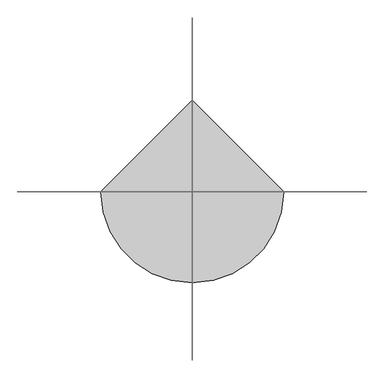
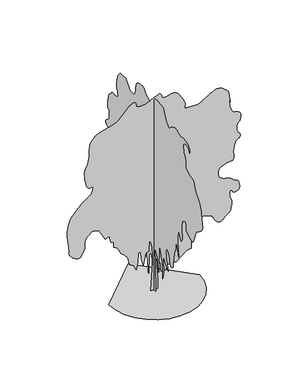
"""IFC4 building model written with IfcOpenShell, lengths in millimetres: geographic element geometry."""

from ifc_helpers import new_model, si_unit, origin, place, context, project, spatial, triangles, source, transform, mapped, element, save


def geographic_element_6778af60(model_context):
    return source(origin(), model_context, "Body", "Tessellation", [
        triangles([(-0.0021492, 84.2526153, 0.0017055), (-0.0021492, -79.7118042, 0.0017055), (-0.0021492, -55.1171299, 770.634066), (-0.0021492, -30.52271, 1205.1391577), (-0.0021492, -128.9011618, 1090.3648407), (-0.0021492, -161.6941456, 983.7870438), (-0.0021492, -161.6941456, 778.8331295), (-0.0021492, -202.6851937, 614.8669024), (-0.0021492, -227.2798771, 1410.0956154), (-0.0021492, -292.8648273, 1254.3285244), (-0.0021492, -391.2435245, 934.5977497), (-0.0021492, -407.6416878, 557.4810519), (-0.0021492, -448.6319547, 754.2384825), (-0.0021492, -424.0372713, 1123.1586239), (-0.0021492, -399.4426243, 1229.7338047), (-0.0021492, -563.4062716, 1024.7798904), (-0.0021492, -645.3893852, 910.00303), (-0.0021492, -571.6053351, 1164.1488544), (-0.0021492, -566.3701532, 1202.7023878), (-0.0021492, -561.3514189, 1240.6803749), (-0.0021492, -556.7629998, 1277.5125744), (-0.0021492, -552.8187638, 1312.6233673), (-0.0021492, -549.7351948, 1345.442585), (-0.0021492, -547.7261604, 1375.3895943), (-0.0021492, -547.0106518, 1401.8965519), (-0.0021492, -548.2048739, 1425.0576382), (-0.0021492, -551.550709, 1445.6369053), (-0.0021492, -556.6891308, 1464.0644142), (-0.0021492, -563.2636931, 1480.7706619), (-0.0021492, -570.9127539, 1496.1884708), (-0.0021492, -579.2773232, 1510.7457218), (-0.0021492, -588.000955, 1524.870005), (-0.0021492, -615.9185097, 1493.2475166), (-0.0021492, -642.6877333, 1461.6276443), (-0.0021492, -667.1627655, 1430.0051559), (-0.0021492, -688.1976734, 1398.3826675), (-0.0021492, -704.6416552, 1366.7627953), (-0.0021492, -715.3488504, 1335.1403069), (-0.0021492, -719.173399, 1303.5178185), (-0.0021492, -720.8463346, 1273.0922047), (-0.0021492, -725.5315138, 1244.8155876), (-0.0021492, -732.7248247, 1218.3340645), (-0.0021492, -741.9270973, 1193.2836313), (-0.0021492, -752.6342926, 1169.31024), (-0.0021492, -764.3472404, 1146.0549007), (-0.0021492, -776.5592857, 1123.1586239), (-0.0021492, -799.2416948, 1123.4208899), (-0.0021492, -820.9921841, 1125.2618385), (-0.0021492, -840.8787609, 1130.2576818), (-0.0021492, -857.9695055, 1139.9845591), (-0.0021492, -871.3298819, 1156.0210802), (-0.0021492, -880.0305862, 1179.9486168), (-0.0021492, -883.1370827, 1213.3382212), (-0.0021492, -884.8100183, 1255.5711811), (-0.0021492, -889.4951975, 1304.2589069), (-0.0021492, -896.6884357, 1358.3243568), (-0.0021492, -905.890781, 1416.6930325), (-0.0021492, -916.5979763, 1478.2854939), (-0.0021492, -928.3109241, 1542.0320389), (-0.0021492, -940.5255129, 1606.8530823), (-0.0021492, -1006.1104631, 1762.6177025), (-0.0021492, -1030.7051102, 2041.3581013), (-0.0021492, -1137.2829071, 1615.0495296), (-0.0021492, -1096.2900604, 2033.1590378), (-0.0021492, -1120.8847801, 2385.6835957), (-0.0021492, -1260.2563602, 2139.7368347), (-0.0021492, -1270.7241806, 2153.8611179), (-0.0021492, -1280.7616493, 2168.4183689), (-0.0021492, -1289.9410309, 2183.833707), (-0.0021492, -1297.8295029, 2200.5424255), (-0.0021492, -1303.9940975, 2218.9699345), (-0.0021492, -1308.0095501, 2239.5492016), (-0.0021492, -1309.4456543, 2262.7102879), (-0.0021492, -1307.6275967, 2290.0778034), (-0.0021492, -1302.9424175, 2322.033847), (-0.0021492, -1296.538448, 2357.1447853), (-0.0021492, -1289.5590775, 2393.9769848), (-0.0021492, -1283.1526371, 2431.0968121), (-0.0021492, -1278.467458, 2467.0683083), (-0.0021492, -1276.6518711, 2500.45784), (-0.0021492, -1277.8461296, 2532.7959824), (-0.0021492, -1281.1944717, 2566.4375336), (-0.0021492, -1286.3329662, 2601.1435547), (-0.0021492, -1292.9049488, 2636.6899315), (-0.0021492, -1300.5540459, 2672.8981865), (-0.0021492, -1308.9185062, 2709.5395546), (-0.0021492, -1317.642247, 2746.4096878), (-0.0021492, -1349.0965771, 2763.5973015), (-0.0021492, -1379.5477707, 2778.4931946), (-0.0021492, -1407.98993, 2788.7800667), (-0.0021492, -1433.4222439, 2792.1923584), (-0.0021492, -1454.8366344, 2786.4374771), (-0.0021492, -1471.2347614, 2769.1992851), (-0.0021492, -1481.6057854, 2738.2107697), (-0.0021492, -1484.4041611, 2701.900486), (-0.0021492, -1481.8935585, 2669.6135033), (-0.0021492, -1478.8100258, 2640.3309883), (-0.0021492, -1479.8871403, 2613.0602692), (-0.0021492, -1489.8532471, 2586.7825127), (-0.0021492, -1513.444685, 2560.5300453), (-0.0021492, -1555.3924152, 2533.2517685), (-0.0021492, -1606.8988644, 2505.0718025), (-0.0021492, -1655.253035, 2478.4681938), (-0.0021492, -1699.3015091, 2456.025087), (-0.0021492, -1737.903368, 2440.3219757), (-0.0021492, -1769.9076645, 2433.9411152), (-0.0021492, -1794.1662128, 2439.4615631), (-0.0021492, -1809.5357689, 2459.4676094), (-0.0021492, -1957.1037964, 2820.1761154), (-0.0021492, -2096.4727604, 2918.5648773), (-0.0021492, -2133.9033245, 2947.2108032), (-0.0021492, -2168.0337994, 2976.9770096), (-0.0021492, -2197.5760368, 3008.067263), (-0.0021492, -2221.2386913, 3040.5580124), (-0.0021492, -2237.731144, 3074.6530243), (-0.0021492, -2245.7620491, 3110.453746), (-0.0021492, -2244.0407879, 3148.1136566), (-0.0021492, -2235.2459759, 3194.9398682), (-0.0021492, -2223.869054, 3254.6760475), (-0.0021492, -2211.3438011, 3322.1530334), (-0.0021492, -2199.1063213, 3392.2013741), (-0.0021492, -2188.5901028, 3459.67836), (-0.0021492, -2181.2287788, 3519.4145393), (-0.0021492, -2178.4558376, 3566.2154617), (-0.0021492, -2170.3281361, 3608.6875786), (-0.0021492, -2147.5744377, 3658.060437), (-0.0021492, -2112.6315125, 3713.1367264), (-0.0021492, -2067.9338047, 3772.8217461), (-0.0021492, -2015.9257874, 3835.9446373), (-0.0021492, -1959.038998, 3901.3845383), (-0.0021492, -1899.7152935, 3967.9447197), (-0.0021492, -1842.3294067, 4197.4932083), (-0.0021492, -1629.1739582, 4246.6875893), (-0.0021492, -1457.0136818, 4328.652935), (-0.0021492, -1458.3505188, 4335.1970123), (-0.0021492, -1461.6963902, 4352.7409996), (-0.0021492, -1466.0480141, 4378.3565872), (-0.0021492, -1470.3970219, 4408.9631493), (-0.0021492, -1473.7428932, 4441.6065056), (-0.0021492, -1475.082201, 4473.2060303), (-0.0021492, -1473.409338, 4500.8334137), (-0.0021492, -1467.7438408, 4526.8565346), (-0.0021492, -1458.2079403, 4555.4515915), (-0.0021492, -1445.4433125, 4586.2107605), (-0.0021492, -1430.0993362, 4618.7015099), (-0.0021492, -1412.8176876, 4652.4654373), (-0.0021492, -1394.2474548, 4687.1205894), (-0.0021492, -1375.0306046, 4722.1829842), (-0.0021492, -1342.2368214, 4918.9352188), (-0.0021492, -1448.8146183, 5009.1250626), (-0.0021492, -1579.9871349, 4984.5277267), (-0.0021492, -1653.7685326, 4877.9400467), (-0.0021492, -1653.7685326, 4976.3288086), (-0.0021492, -1538.9942883, 5082.8914902), (-0.0021492, -1350.4358849, 5107.488826), (-0.0021492, -1202.8678574, 5074.692572), (-0.0021492, -1055.2998299, 5156.6829163), (-0.0021492, -948.7220329, 5164.8818344), (-0.0021492, -940.8819592, 5161.1390396), (-0.0021492, -920.1372952, 5151.1065125), (-0.0021492, -890.6409851, 5136.4911255), (-0.0021492, -856.5588358, 5118.9980072), (-0.0021492, -822.0437914, 5100.3334488), (-0.0021492, -791.2590425, 5082.280481), (-0.0021492, -768.3627657, 5066.4930725), (-0.0021492, -752.5400396, 5050.8591431), (-0.0021492, -739.1541561, 5033.7985565), (-0.0021492, -726.6289759, 5017.8844116), (-0.0021492, -713.3882143, 5005.6874817), (-0.0021492, -697.8532614, 4999.805864), (-0.0021492, -678.4453617, 5002.8359116), (-0.0021492, -653.5859053, 5017.2989822), (-0.0021492, -627.1527803, 5039.5790176), (-0.0021492, -603.7294281, 5064.0234558), (-0.0021492, -582.814135, 5090.2247635), (-0.0021492, -563.9078762, 5117.8777267), (-0.0021492, -546.5090472, 5146.6253906), (-0.0021492, -530.1108839, 5176.0602219), (-0.0021492, -514.2169049, 5205.8775879), (-0.0021492, -415.8382078, 5410.8290314), (-0.0021492, -169.8924643, 5451.8242035), (-0.0021492, -163.845268, 5451.6713058), (-0.0021492, -147.6161895, 5450.6783432), (-0.0021492, -124.0728773, 5447.9540909), (-0.0021492, -96.0842423, 5442.6323227), (-0.0021492, -66.5181736, 5433.8985535), (-0.0021492, -38.2425694, 5420.8359787), (-0.0021492, -14.1260625, 5402.6295319), (-0.0021492, 3.3458589, 5384.2457703), (-0.0021492, 15.2248406, 5370.0373352), (-0.0021492, 23.9488607, 5358.0950409), (-0.0021492, 31.9557643, 5346.6114395), (-0.0021492, 41.6836339, 5333.6761826), (-0.0021492, 55.5706269, 5317.4306625), (-0.0021492, 76.0543103, 5296.0418518), (-0.0021492, 97.13535, 5271.2916183), (-0.0021492, 113.1971331, 5247.5349289), (-0.0021492, 127.2514169, 5226.7827072), (-0.0021492, 142.3091915, 5211.0464584), (-0.0021492, 161.3827366, 5202.3638489), (-0.0021492, 187.483033, 5202.6946426), (-0.0021492, 223.6221062, 5214.076506), (-0.0021492, 264.351397, 5233.7851868), (-0.0021492, 302.4974698, 5257.3889786), (-0.0021492, 338.4919115, 5284.2012955), (-0.0021492, 372.7676173, 5313.5855484), (-0.0021492, 405.7523409, 5344.9307281), (-0.0021492, 437.8763975, 5377.549086), (-0.0021492, 469.5675954, 5410.8290314), (-0.0021492, 492.466452, 5419.4860611), (-0.0021492, 515.7217913, 5427.3286057), (-0.0021492, 539.6951463, 5433.618338), (-0.0021492, 564.7456158, 5437.5396103), (-0.0021492, 591.2271026, 5438.3035172), (-0.0021492, 619.503756, 5435.1205719), (-0.0021492, 649.9294424, 5427.2268677), (-0.0021492, 681.4067362, 5417.9076691), (-0.0021492, 712.0259428, 5409.8610672), (-0.0021492, 740.9213448, 5401.4075134), (-0.0021492, 767.2373257, 5390.7895569), (-0.0021492, 790.1107115, 5376.3009064), (-0.0021492, 808.6833424, 5356.2364334), (-0.0021492, 822.0921896, 5328.8381058), (-0.0021492, 831.6764156, 5297.4679276), (-0.0021492, 839.5393805, 5266.5047012), (-0.0021492, 845.9687845, 5235.9240097), (-0.0021492, 851.2523283, 5205.5973724), (-0.0021492, 855.672698, 5175.5253708), (-0.0021492, 859.522681, 5145.5556885), (-0.0021492, 863.0824202, 5115.6877441), (-0.0021492, 868.5086151, 5085.9976959), (-0.0021492, 874.8667299, 5057.4029297), (-0.0021492, 883.0886845, 5030.9469864), (-0.0021492, 894.1065439, 5007.6989868), (-0.0021492, 908.8546263, 4988.7803741), (-0.0021492, 928.2625259, 4975.2085281), (-0.0021492, 953.2646336, 4968.1298904), (-0.0021492, 983.5706326, 4964.7940475), (-0.0021492, 1017.0340696, 4962.6296448), (-0.0021492, 1051.7859455, 4962.7313828), (-0.0021492, 1085.9648186, 4966.2962814), (-0.0021492, 1117.7069944, 4974.4446213), (-0.0021492, 1145.1458719, 4988.347261), (-0.0021492, 1166.4176113, 5009.1250626), (-0.0021492, 1187.9516893, 5037.6180908), (-0.0021492, 1215.2250246, 5071.5857849), (-0.0021492, 1244.9327316, 5107.4120865), (-0.0021492, 1273.7822788, 5141.5326782), (-0.0021492, 1298.4736496, 5170.3309204), (-0.0021492, 1315.7070454, 5190.2430771), (-0.0021492, 1322.1822315, 5197.6786697), (-0.0021492, 1576.328056, 5181.2802521), (-0.0021492, 1674.7067894, 5058.2941544), (-0.0021492, 1679.9878624, 5049.3057495), (-0.0021492, 1685.3426228, 5039.1203247), (-0.0021492, 1690.840107, 5026.4652832), (-0.0021492, 1696.5540024, 5010.1691849), (-0.0021492, 1702.550584, 4988.9838501), (-0.0021492, 1708.9086262, 4961.7134216), (-0.0021492, 1715.69702, 4927.1347183), (-0.0021492, 1722.2461842, 4888.9655365), (-0.0021492, 1727.9344997, 4851.6622902), (-0.0021492, 1732.907452, 4815.0465019), (-0.0021492, 1737.304858, 4779.0417229), (-0.0021492, 1741.2720577, 4743.4444771), (-0.0021492, 1744.9539551, 4708.1530266), (-0.0021492, 1748.4908031, 4672.9886032), (-0.0021492, 1731.0893944, 4648.3403984), (-0.0021492, 1714.6937382, 4623.4122688), (-0.0021492, 1700.3046455, 4597.9237083), (-0.0021492, 1688.927869, 4571.5442139), (-0.0021492, 1681.5665451, 4544.0441483), (-0.0021492, 1679.2239555, 4515.0927177), (-0.0021492, 1682.9058529, 4484.4352867), (-0.0021492, 1691.9172215, 4457.546521), (-0.0021492, 1704.798848, 4438.9584114), (-0.0021492, 1721.4109154, 4426.9908279), (-0.0021492, 1741.6082291, 4419.8866104), (-0.0021492, 1765.2454491, 4415.940049), (-0.0021492, 1792.1827583, 4413.4445618), (-0.0021492, 1822.2748169, 4410.6435699), (-0.0021492, 1851.5776794, 4410.5162521), (-0.0021492, 1877.0099934, 4414.7177399), (-0.0021492, 1899.7152935, 4419.453788), (-0.0021492, 1920.8445271, 4421.0580505), (-0.0021492, 1941.543409, 4415.7871513), (-0.0021492, 1962.9576542, 4399.8982956), (-0.0021492, 1986.2385006, 4369.6483978), (-0.0021492, 2009.8529022, 4339.016256), (-0.0021492, 2031.6033188, 4320.2755394), (-0.0021492, 2051.6324741, 4307.2641243), (-0.0021492, 2070.0854176, 4293.8451759), (-0.0021492, 2087.1024021, 4273.8057014), (-0.0021492, 2102.8308025, 4241.0094475), (-0.0021492, 2117.4110172, 4189.2939995), (-0.0021492, 2130.4606567, 4132.1297562), (-0.0021492, 2141.5040234, 4085.4561516), (-0.0021492, 2150.5382103, 4046.6759605), (-0.0021492, 2157.565979, 4013.1922485), (-0.0021492, 2162.5848587, 3982.4330795), (-0.0021492, 2165.5945587, 3951.8009377), (-0.0021492, 2166.6003113, 3918.7500481), (-0.0021492, 2163.9699486, 3888.1437767), (-0.0021492, 2156.6086246, 3865.7361328), (-0.0021492, 2145.3030647, 3850.1274925), (-0.0021492, 2130.8426102, 3839.9676476), (-0.0021492, 2114.0167477, 3833.9075523), (-0.0021492, 2095.6120571, 3830.5464203), (-0.0021492, 2076.4181705, 3828.5602043), (-0.0021492, 2076.4181705, 3615.4098427), (-0.0021492, 2076.5861835, 3611.7687859), (-0.0021492, 2077.7574783, 3607.2362137), (-0.0021492, 2080.9351913, 3600.9979317), (-0.0021492, 2087.1278366, 3592.1877136), (-0.0021492, 2097.3334637, 3579.9143349), (-0.0021492, 2112.5576797, 3563.3636009), (-0.0021492, 2133.8065281, 3541.6437057), (-0.0021492, 2158.6890209, 3518.8288193), (-0.0021492, 2183.2835953, 3498.7640556), (-0.0021492, 2206.2996323, 3480.0997879), (-0.0021492, 2226.4484024, 3461.6134163), (-0.0021492, 2242.4391415, 3441.9561859), (-0.0021492, 2252.9807945, 3419.8796265), (-0.0021492, 2256.7799812, 3394.0602722), (-0.0021492, 2250.3276134, 3369.7687317), (-0.0021492, 2232.2566235, 3352.3773514), (-0.0021492, 2204.5070091, 3340.7152725), (-0.0021492, 2169.0142628, 3333.6366348), (-0.0021492, 2127.7106792, 3329.995578), (-0.0021492, 2082.5368378, 3328.6715309), (-0.0021492, 2035.4277946, 3328.4677643), (-0.0021492, 2021.5658501, 3329.995578), (-0.0021492, 2008.8496204, 3330.1737648), (-0.0021492, 1998.4275822, 3327.6274086), (-0.0021492, 1991.4508278, 3320.9815933), (-0.0021492, 1989.05984, 3308.886692), (-0.0021492, 1992.405566, 3289.9677887), (-0.0021492, 2002.6366276, 3262.9005455), (-0.0021492, 2020.3945553, 3234.9676575), (-0.0021492, 2044.3195484, 3213.2224731), (-0.0021492, 2072.5477673, 3195.7802238), (-0.0021492, 2103.212756, 3180.7570129), (-0.0021492, 2134.4508202, 3166.3195221), (-0.0021492, 2164.4003002, 3150.6088531), (-0.0021492, 2191.195031, 3131.7155296), (-0.0021492, 2214.6667088, 3115.4700096), (-0.0021492, 2235.4113728, 3106.0996513), (-0.0021492, 2252.7159851, 3099.4538361), (-0.0021492, 2265.8625664, 3091.381945), (-0.0021492, 2274.1329918, 3077.7083611), (-0.0021492, 2276.8091366, 3054.2824654), (-0.0021492, 2273.1754921, 3016.9539299), (-0.0021492, 2263.7593517, 2975.5765137), (-0.0021492, 2250.0398403, 2941.939904), (-0.0021492, 2232.735228, 2914.7709229), (-0.0021492, 2212.5634941, 2892.7455231), (-0.0021492, 2190.2375313, 2874.6158157), (-0.0021492, 2166.4806965, 2859.0580444), (-0.0021492, 2142.0055916, 2844.7731606), (-0.0021492, 2133.3761765, 2827.1783043), (-0.0021492, 2125.6812973, 2809.2779434), (-0.0021492, 2119.8477871, 2790.7918625), (-0.0021492, 2116.8125072, 2771.4654259), (-0.0021492, 2117.5051975, 2750.9675491), (-0.0021492, 2122.8599579, 2729.044178), (-0.0021492, 2133.8065281, 2705.4145157), (-0.0021492, 2153.6931049, 2682.9815826), (-0.0021492, 2182.4714355, 2663.4005104), (-0.0021492, 2215.980582, 2644.532476), (-0.0021492, 2250.062804, 2624.2386566), (-0.0021492, 2280.5623959, 2600.3543587), (-0.0021492, 2303.3160942, 2570.7407593), (-0.0021492, 2314.1683388, 2533.2517685), (-0.0021492, 2316.6306885, 2491.7827881), (-0.0021492, 2316.7960854, 2450.4562408), (-0.0021492, 2314.3822792, 2407.4085777), (-0.0021492, 2309.1012062, 2360.7782845), (-0.0021492, 2300.6627678, 2308.6964344), (-0.0021492, 2288.7842777, 2249.3015133), (-0.0021492, 2273.1754921, 2180.7272106), (-0.0021492, 2256.9479942, 2122.3126076), (-0.0021492, 2242.7269146, 2087.8459614), (-0.0021492, 2229.5091167, 2067.1470795), (-0.0021492, 2216.2913189, 2050.0334438), (-0.0021492, 2202.0702393, 2026.3248619), (-0.0021492, 2185.8401253, 1985.8335835), (-0.0021492, 2166.6003113, 1918.3847935), (-0.0021492, 2149.5808559, 1842.5203835), (-0.0021492, 2138.8736607, 1783.2936207), (-0.0021492, 2131.7517117, 1740.2713921), (-0.0021492, 2125.4903206, 1713.0234913), (-0.0021492, 2117.362619, 1701.1195667), (-0.0021492, 2104.6463894, 1704.1317375), (-0.0021492, 2084.617234, 1721.6273266), (-0.0021492, 2060.5012642, 1758.0775726), (-0.0021492, 2037.2458523, 1813.4570412), (-0.0021492, 2014.7060944, 1880.5977104), (-0.0021492, 1992.7391212, 1952.324437), (-0.0021492, 1971.2051159, 2021.4716698), (-0.0021492, 1949.9562675, 2080.8664455), (-0.0021492, 1928.8526138, 2123.3387077), (-0.0021492, 1903.2291779, 2154.4824463), (-0.0021492, 1869.4322582, 2184.7680977), (-0.0021492, 1828.8238358, 2214.3331535), (-0.0021492, 1782.7664726, 2243.3252792), (-0.0021492, 1732.6196789, 2271.8870533), (-0.0021492, 1679.7509583, 2300.1636703), (-0.0021492, 1625.51735, 2328.2952381), (-0.0021492, 1580.1042789, 2357.6693172), (-0.0021492, 1536.2697453, 2384.1049129), (-0.0021492, 1495.5901062, 2404.6612164), (-0.0021492, 1459.6414284, 2416.3971279), (-0.0021492, 1430.0025398, 2416.3715481), (-0.0021492, 1408.2521233, 2401.6489002), (-0.0021492, 1395.9662453, 2369.2854687), (-0.0021492, 1387.7442181, 2327.3633183), (-0.0021492, 1377.3731941, 2285.8713741), (-0.0021492, 1365.2069309, 2244.7359489), (-0.0021492, 1351.6071796, 2203.8882969), (-0.0021492, 1336.9303139, 2163.2544399), (-0.0021492, 1321.5379395, 2122.7657776), (-0.0021492, 1305.7865753, 2082.3484772), (-0.0021492, 1125.4248373, 1926.583857), (-0.0021492, 1107.9775738, 1907.1276318), (-0.0021492, 1091.2458916, 1886.8820652), (-0.0021492, 1075.9502409, 1865.0602867), (-0.0021492, 1062.8037323, 1840.8729549), (-0.0021492, 1052.5268887, 1813.5282578), (-0.0021492, 1045.8352186, 1782.2419407), (-0.0021492, 1043.4442308, 1746.2220463), (-0.0021492, 1042.7261787, 1711.1595062), (-0.0021492, 1040.7196878, 1682.5468632), (-0.0021492, 1037.6361551, 1659.3168858), (-0.0021492, 1033.6919191, 1640.3851925), (-0.0021492, 1029.1035364, 1624.6822266), (-0.0021492, 1024.0847294, 1611.1308735), (-0.0021492, 1018.8495838, 1598.6540188), (-0.0021492, 871.2814837, 1500.2752853), (-0.0021492, 854.8859001, 1328.1125381), (-0.0021492, 731.9125196, 1270.7241806), (-0.0021492, 699.1188091, 1057.5711302), (-0.0021492, 567.9463288, 1024.7798904), (-0.0021492, 579.9928319, 1019.3537682), (-0.0021492, 590.5345213, 1012.9956533), (-0.0021492, 598.0638946, 1004.7736261), (-0.0021492, 601.0736309, 993.7558393), (-0.0021492, 598.0638946, 979.0076843), (-0.0021492, 587.5222415, 959.5997847), (-0.0021492, 567.9463288, 934.5977497), (-0.0021492, 544.3090362, 908.8801334), (-0.0021492, 522.3905339, 887.4631994), (-0.0021492, 501.9081359, 869.6340551), (-0.0021492, 482.5715618, 854.6720324), (-0.0021492, 464.0956183, 841.8616224), (-0.0021492, 446.192605, 830.4822298), (-0.0021492, 428.5773285, 819.8234327), (-0.0021492, 416.3169213, 852.4974558), (-0.0021492, 404.2703819, 880.9396151), (-0.0021492, 392.6541942, 900.9203722), (-0.0021492, 381.6821895, 908.2104795), (-0.0021492, 371.5733952, 898.5777826), (-0.0021492, 362.5365921, 867.7931065), (-0.0021492, 354.7933147, 811.6243692), (-0.0021492, 347.289376, 757.5588467), (-0.0021492, 338.9222268, 728.4470335), (-0.0021492, 329.8396053, 713.1030573), (-0.0021492, 320.1840537, 700.3409729), (-0.0021492, 310.0981504, 678.9725098), (-0.0021492, 299.7245467, 637.8141209), (-0.0021492, 289.2083463, 565.677572), (-0.0021492, 280.1002358, 485.3215393), (-0.0021492, 273.5766333, 424.7553234), (-0.0021492, 269.2021002, 380.6814875), (-0.0021492, 266.5488464, 349.8000149), (-0.0021492, 265.1865749, 328.815976), (-0.0021492, 264.6849704, 314.426847), (-0.0021492, 264.613663, 303.3351912), (-0.0021492, 240.0187434, 811.6243692), (-0.0021492, 227.6618124, 844.6574547), (-0.0021492, 214.9461096, 875.6102165), (-0.0021492, 201.5133903, 902.4023312), (-0.0021492, 187.005355, 922.9585619), (-0.0021492, 171.062996, 935.1961143), (-0.0021492, 153.328032, 937.037063), (-0.0021492, 133.4419729, 926.401157), (-0.0021492, 115.707018, 904.291678), (-0.0021492, 103.9950694, 874.0085701), (-0.0021492, 97.3026454, 836.9141773), (-0.0021492, 94.6257194, 794.3680824), (-0.0021492, 94.9603011, 747.7377892), (-0.0021492, 97.3026454, 698.3803368), (-0.0021492, 100.6487348, 647.6606855), (-0.0021492, 84.2526153, 237.7499866), (88.4435659, 0.0002505, 0.0), (-86.3932913, 0.0002505, 0.0), (-44.7656723, 0.0002025, 807.5807934), (-36.4400473, 0.0001919, 1032.3704155), (-69.7422955, 0.0001759, 1307.1158546), (-128.0216733, 0.0001652, 1448.6490761), (-144.6726646, 0.0001865, 1140.6032713), (-227.9278935, 0.0001865, 1115.6266708), (-294.532658, 0.0002025, 799.2544121), (-352.8122947, 0.0001919, 999.0699772), (-361.138676, 0.0001812, 1182.2301636), (-427.7421324, 0.0001812, 1182.2301636), (-444.3923879, 0.0001972, 915.8137218), (-486.0217873, 0.0002079, 732.6509193), (-552.6252437, 0.0002025, 874.1842861), (-660.8581358, 0.0001972, 940.7903223), (-702.4849554, 0.0001812, 1157.2534904), (-785.7412107, 0.0001759, 1257.1625084), (-877.3238474, 0.0001759, 1332.0923824), (-977.2303219, 0.0001599, 1523.5789501), (-1085.4632504, 0.0001599, 1581.8586777), (-1085.4632504, 0.0001492, 1723.3945152), (-1160.3931244, 0.0001492, 1748.3711884), (-1202.019944, 0.0001386, 1939.857756), (-1318.5792538, 0.0001386, 1889.9044098), (-1468.4390018, 0.0001226, 2172.9736141), (-1502.3250149, 0.0001226, 2194.0442757), (-1536.1347244, 0.0001226, 2213.0727654), (-1569.8018555, 0.0001173, 2228.0246143), (-1603.2501045, 0.0001173, 2236.8602669), (-1636.4053482, 0.0001173, 2237.5401672), (-1669.1991314, 0.0001173, 2228.0246143), (-1701.5548599, 0.0001226, 2206.2766685), (-1733.4726791, 0.0001226, 2179.018594), (-1764.2269066, 0.0001226, 2153.3621658), (-1792.651189, 0.0001279, 2127.850787), (-1817.579464, 0.0001279, 2101.0306217), (-1837.8479942, 0.0001279, 2071.4426022), (-1852.2879559, 0.0001332, 2037.6304218), (-1859.7409893, 0.0001332, 1998.1373383), (-1862.0709343, 0.0001386, 1954.9318359), (-1863.0894768, 0.0001386, 1911.4359444), (-1864.5459286, 0.0001439, 1868.3754913), (-1868.1871307, 0.0001439, 1826.4812462), (-1875.759779, 0.0001439, 1786.4790367), (-1889.0133305, 0.0001492, 1749.0993416), (-1909.6943356, 0.0001492, 1715.0681339), (-1930.6655846, 0.0001546, 1683.7079842), (-1945.9586918, 0.0001546, 1654.8226833), (-1959.0644325, 0.0001546, 1629.87159), (-1973.4840466, 0.0001546, 1610.3057785), (-1992.7085999, 0.0001599, 1597.5870781), (-2020.2341, 0.0001599, 1593.1693245), (-2059.5539383, 0.0001599, 1598.5088242), (-2106.0849644, 0.0001546, 1614.4818317), (-2151.4523987, 0.0001546, 1639.6289886), (-2193.4662586, 0.0001546, 1671.9108845), (-2229.9496422, 0.0001492, 1709.2905796), (-2258.7125668, 0.0001492, 1749.7308437), (-2277.5730434, 0.0001439, 1791.1870342), (-2284.3435604, 0.0001439, 1831.6274437), (-2284.0049183, 0.0001439, 1867.2347179), (-2283.6662762, 0.0001386, 1899.34613), (-2284.3435604, 0.0001386, 1933.6447632), (-2287.0630165, 0.0001332, 1975.8062885), (-2292.8405708, 0.0001332, 2031.5116093), (-2302.6947659, 0.0001279, 2106.4440994), (-2317.6466148, 0.0001226, 2206.2766685), (-2328.3767738, 0.0001119, 2318.4664776), (-2327.0169731, 0.0001066, 2424.8304794), (-2316.773267, 0.0001013, 2522.6006744), (-2300.8512737, 9.59e-05, 2609.0116791), (-2282.4516701, 9.06e-05, 2681.301162), (-2264.780365, 9.06e-05, 2736.6829559), (-2251.0431221, 8.53e-05, 2772.4075195), (-2228.7604706, 8.53e-05, 2807.0370918), (-2187.9815643, 7.99e-05, 2856.639006), (-2135.6984184, 7.99e-05, 2914.8473717), (-2078.9007225, 7.46e-05, 2975.2454292), (-2024.5780209, 7.46e-05, 3031.4167099), (-1979.7200031, 6.93e-05, 3076.9444542), (-1951.3211552, 6.93e-05, 3105.4374825), (-1924.2819626, 6.4e-05, 3127.0812195), (-1882.823156, 6.4e-05, 3155.2940323), (-1832.9183533, 6.4e-05, 3188.4469505), (-1780.5385563, 5.86e-05, 3224.9607101), (-1731.6521507, 5.86e-05, 3263.2060501), (-1692.2328999, 5.33e-05, 3301.6042877), (-1668.2519508, 5.33e-05, 3338.5511604), (-1656.1646072, 5.33e-05, 3371.3218346), (-1648.0088551, 4.8e-05, 3398.84748), (-1643.1300831, 4.8e-05, 3421.9931602), (-1640.8716454, 4.8e-05, 3441.6759705), (-1640.5812561, 4.8e-05, 3458.7106865), (-1641.5997986, 4.8e-05, 3473.988533), (-1643.2752777, 4.26e-05, 3488.4260239), (-1673.4947994, 4.26e-05, 3483.4862091), (-1703.0597099, 4.26e-05, 3481.1180397), (-1731.3135086, 4.26e-05, 3483.8172935), (-1757.6014389, 4.26e-05, 3494.1806145), (-1781.2667095, 4.26e-05, 3514.7546494), (-1801.6574707, 4.26e-05, 3548.0601746), (-1818.1141697, 3.73e-05, 3596.6435463), (-1832.6281094, 3.2e-05, 3658.2386238), (-1846.5614159, 3.2e-05, 3726.3519081), (-1858.3075012, 2.66e-05, 3797.4190819), (-1866.2698059, 2.13e-05, 3867.7223488), (-1868.8440674, 1.6e-05, 3933.671521), (-1864.4261684, 1.6e-05, 3991.625251), (-1851.414608, 1.07e-05, 4037.8913223), (-1831.8514126, 1.07e-05, 4080.6180748), (-1810.1034668, 5.3e-06, 4129.8889046), (-1788.0628063, 5.3e-06, 4185.1436714), (-1767.626263, 0.0, 4245.7710754), (-1750.6831112, -5.3e-06, 4311.2106857), (-1739.1280025, -1.07e-05, 4380.8773636), (-1734.8579144, -1.07e-05, 4454.1853889), (-1735.4894165, -1.6e-05, 4523.877356), (-1735.8280586, -2.13e-05, 4584.5303398), (-1733.5466572, -2.13e-05, 4638.3334511), (-1726.3125057, -2.66e-05, 4687.5025429), (-1711.7987114, -3.2e-05, 4734.1761475), (-1687.6699516, -3.2e-05, 4780.5442474), (-1651.601659, -3.73e-05, 4828.8218239), (-1604.6581581, -3.73e-05, 4875.2407928), (-1551.3056007, -4.26e-05, 4914.6575729), (-1494.3144573, -4.26e-05, 4947.2247711), (-1436.4472046, -4.26e-05, 4973.1202835), (-1380.4746037, -4.26e-05, 4992.421431), (-1329.161602, -4.8e-05, 5005.3566879), (-1285.2761993, -4.8e-05, 5012.0022125), (-1238.819006, -4.8e-05, 5019.8197586), (-1181.7285227, -4.8e-05, 5034.7665207), (-1119.6854347, -4.8e-05, 5054.8059952), (-1058.3731888, -4.8e-05, 5077.9260956), (-1003.4673832, -5.33e-05, 5102.03974), (-960.651392, -5.33e-05, 5125.1598404), (-935.6009588, -5.33e-05, 5145.1993149), (-669.1845171, -6.93e-05, 5428.27099), (-646.0030106, -6.93e-05, 5444.1601364), (-622.8954094, -7.46e-05, 5458.928421), (-599.9328938, -7.46e-05, 5471.5328842), (-577.1893693, -7.46e-05, 5480.8520828), (-554.7386684, -7.46e-05, 5485.7918976), (-532.6495734, -7.46e-05, 5485.2826263), (-510.9983877, -7.46e-05, 5478.2295685), (-495.8275477, -7.46e-05, 5462.4933197), (-489.5407585, -6.93e-05, 5439.0418442), (-486.7500132, -6.93e-05, 5411.3888809), (-482.064834, -6.93e-05, 5382.9725922), (-470.0972506, -6.93e-05, 5357.3567139), (-445.4618357, -6.4e-05, 5337.9794083), (-402.7655319, -6.4e-05, 5328.3544144), (-352.1553217, -6.4e-05, 5326.9794983), (-306.7905035, -6.4e-05, 5329.5258545), (-265.7951497, -6.4e-05, 5335.3568939), (-228.2925333, -6.4e-05, 5343.8104477), (-193.4123404, -6.4e-05, 5354.2249283), (-160.2801876, -6.93e-05, 5365.9375854), (-128.0216733, -6.93e-05, 5378.3124115), (-76.4902348, -6.93e-05, 5408.3588333), (-26.1968067, -6.93e-05, 5436.7501236), (21.6206779, -7.46e-05, 5461.7805725), (65.7244948, -7.46e-05, 5481.7688873), (104.8766017, -7.46e-05, 5495.0605179), (137.8389157, -7.46e-05, 5500.0003326), (163.3739486, -7.46e-05, 5494.8820404), (179.7578323, -7.46e-05, 5482.2525787), (188.4231282, -7.46e-05, 5466.2872742), (192.8648993, -7.46e-05, 5447.6994553), (196.5786624, -6.93e-05, 5427.2012878), (203.0594986, -6.93e-05, 5405.5578415), (215.8026888, -6.93e-05, 5383.4562836), (238.3035501, -6.93e-05, 5361.6599396), (275.7078804, -6.4e-05, 5352.0093658), (327.5301169, -6.93e-05, 5359.8263306), (388.8194718, -6.93e-05, 5376.0974304), (454.6234131, -6.93e-05, 5391.7569397), (519.9893723, -6.93e-05, 5397.8426147), (579.9673974, -6.93e-05, 5385.2643127), (629.6048836, -6.4e-05, 5345.0068863), (669.510442, -6.4e-05, 5289.625383), (704.1731518, -5.86e-05, 5237.2989258), (734.4638901, -5.86e-05, 5187.5188248), (761.2611643, -5.33e-05, 5139.7758087), (785.4382496, -5.33e-05, 5093.5606064), (807.8660231, -4.8e-05, 5048.3633652), (829.420376, -4.8e-05, 5003.6759766), (821.0939947, -3.73e-05, 4853.8011131), (1104.163199, -3.73e-05, 4837.1483505), (1130.912075, -3.73e-05, 4839.0834068), (1157.5870457, -3.73e-05, 4841.7826607), (1184.116967, -3.73e-05, 4846.1111755), (1210.4303318, -3.73e-05, 4852.8334396), (1236.4509819, -3.73e-05, 4862.7639381), (1262.10741, -3.73e-05, 4876.6921577), (1287.3259289, -3.73e-05, 4895.433165), (1317.642247, -4.26e-05, 4918.5532654), (1357.5732399, -4.26e-05, 4944.7039948), (1405.5097034, -4.26e-05, 4973.4260788), (1459.8579849, -4.8e-05, 5004.1852478), (1519.010915, -4.8e-05, 5036.4722305), (1581.3671379, -4.8e-05, 5069.7527573), (1645.3250072, -5.33e-05, 5103.5675537), (1684.4540142, -5.33e-05, 5099.8497574), (1722.8521065, -5.33e-05, 5095.2663162), (1759.7963631, -5.33e-05, 5088.9515854), (1794.5558693, -4.8e-05, 5079.9887604), (1826.3998558, -4.8e-05, 5067.5371948), (1854.6051109, -4.8e-05, 5050.7062454), (1878.4410107, -4.8e-05, 5028.6552658), (1900.2143909, -4.8e-05, 5007.1897156), (1922.1329659, -4.26e-05, 4990.5372437), (1943.3232422, -4.26e-05, 4975.3358459), (1962.9118721, -4.26e-05, 4958.2502609), (1980.023037, -4.26e-05, 4935.9190659), (1993.7857143, -3.73e-05, 4905.0069992), (2003.3267017, -3.73e-05, 4862.1273491), (2036.62714, -2.13e-05, 4620.6877258), (2031.3358932, -2.66e-05, 4643.2223969), (2026.4088684, -2.66e-05, 4661.7340576), (2022.2099968, -2.66e-05, 4672.2502762), (2019.1035004, -2.66e-05, 4670.7477516), (2017.450985, -2.66e-05, 4653.2293442), (2017.6216141, -2.13e-05, 4615.6714622), (2019.9769936, -2.13e-05, 4554.0766754), (2029.0544918, -1.6e-05, 4483.8242775), (2046.7257969, -1.07e-05, 4423.1715843), (2069.3470905, -5.3e-06, 4372.5511276), (2093.2796413, -5.3e-06, 4332.4213097), (2114.8825378, -5.3e-06, 4303.2408234), (2130.5141418, -5.3e-06, 4285.3913315), (2136.5336872, 0.0, 4279.3565254), (2147.5539448, 0.0, 4280.1460121), (2175.7593452, 0.0, 4279.6367409), (2213.8671936, 0.0, 4273.4493279), (2254.5977016, 0.0, 4257.2038078), (2290.6659943, 0.0, 4226.5463768), (2314.794754, 5.3e-06, 4177.0973602), (2319.6963444, 1.07e-05, 4104.5023727), (2308.0216209, 1.07e-05, 4035.0650414), (2289.5024025, 1.6e-05, 3991.3959045), (2267.4871765, 1.6e-05, 3963.6159142), (2245.3241398, 1.6e-05, 3941.7939903), (2226.3694828, 2.13e-05, 3916.0255051), (2213.96399, 2.13e-05, 3876.4308289), (2211.466032, 2.66e-05, 3813.104171), (2219.5963497, 2.66e-05, 3747.2826073), (2234.7188278, 3.2e-05, 3702.4167412), (2253.6250866, 3.2e-05, 3671.9886566), (2273.1169201, 3.73e-05, 3649.4284058), (2289.9862392, 3.73e-05, 3628.141333), (2301.0320766, 3.73e-05, 3601.6598099), (2303.0461979, 4.26e-05, 3563.3380211), (2294.2843781, 4.26e-05, 3529.0395332), (2276.7837021, 4.26e-05, 3512.233873), (2253.0190189, 4.26e-05, 3502.8382256), (2225.4707005, 4.26e-05, 3490.8194824), (2196.6083633, 4.8e-05, 3466.1204086), (2168.9148502, 4.8e-05, 3418.7340569), (2144.8600685, 5.33e-05, 3338.5511604), (2129.882785, 5.86e-05, 3243.8796135), (2124.958231, 6.4e-05, 3160.284716), (2125.8545425, 6.93e-05, 3088.6321129), (2128.3549713, 7.46e-05, 3029.812738), (2128.2327404, 7.46e-05, 2984.6666565), (2121.2660145, 7.46e-05, 2954.0856743), (2103.2331036, 7.99e-05, 2938.9351456), (2080.3674934, 7.99e-05, 2933.5625084), (2059.979203, 7.99e-05, 2930.6853584), (2039.4433926, 7.99e-05, 2928.6482735), (2016.1421986, 7.99e-05, 2925.9237305), (1987.4504906, 7.99e-05, 2920.8565979), (1950.7506958, 7.99e-05, 2911.8426132), (1903.4176838, 7.99e-05, 2897.3033844), (1853.5127357, 7.99e-05, 2880.1413506), (1811.035532, 7.99e-05, 2862.9793167), (1776.2784966, 8.53e-05, 2843.7801979), (1749.5296932, 8.53e-05, 2820.5069092), (1731.0818367, 8.53e-05, 2791.0973671), (1721.2276417, 9.06e-05, 2753.5647743), (1720.2574974, 9.06e-05, 2705.8217583), (1723.631274, 9.59e-05, 2658.5115646), (1727.8785439, 9.59e-05, 2621.9722252), (1734.8910519, 9.59e-05, 2593.7338326), (1746.5683914, 0.0001013, 2571.3520592), (1764.7947498, 0.0001013, 2552.2802582), (1791.4723366, 0.0001013, 2534.1046234), (1828.4878098, 0.0001013, 2514.3224007), (1873.0047146, 0.0001013, 2496.0453186), (1919.5611752, 0.0001066, 2482.2824959), (1966.1151649, 0.0001066, 2470.414325), (2010.6320698, 0.0001066, 2457.815094), (2051.0697178, 0.0001066, 2441.8678116), (2085.3913147, 0.0001066, 2419.9517075), (2111.5570141, 0.0001119, 2389.4394711), (2135.660194, 0.0001119, 2361.79174), (2163.6949654, 0.0001119, 2345.6507195), (2193.4790485, 0.0001119, 2334.1695889), (2222.8250771, 0.0001119, 2320.5060333), (2249.5484459, 0.0001173, 2297.8084362), (2271.4670208, 0.0001173, 2259.2397148), (2286.3959061, 0.0001226, 2197.9502872), (2290.3019176, 0.0001279, 2132.9738754), (2281.9781525, 0.0001279, 2085.9081436), (2263.4563179, 0.0001279, 2053.7712971), (2236.7813473, 0.0001332, 2033.5767448), (2203.9875641, 0.0001332, 2022.3373146), (2167.1171402, 0.0001332, 2017.0716476), (2128.2097767, 0.0001332, 2014.7876301), (2106.9227039, 0.0001332, 2046.2216125), (2086.3639297, 0.0001279, 2073.5764835), (2067.2591366, 0.0001279, 2092.7780731), (2050.3415646, 0.0001279, 2099.7421829), (2036.3368961, 0.0001279, 2090.3972591), (2025.9709591, 0.0001279, 2060.6641903), (2019.9769936, 0.0001332, 2006.4637196), (2022.3322277, 0.0001386, 1947.8937481), (2033.7142365, 0.0001386, 1903.8861145), (2049.9035099, 0.0001439, 1868.6174824), (2066.6760326, 0.0001439, 1836.2616085), (2079.809824, 0.0001439, 1800.992831), (2085.075491, 0.0001492, 1756.9878136), (2078.2539597, 0.0001492, 1698.4178421), (2066.069965, 0.0001546, 1638.7046265), (2056.21577, 0.0001599, 1592.8306824), (2045.9236656, 0.0001599, 1557.2944794), (2032.4282684, 0.0001599, 1528.6053875), (2012.9618694, 0.0001652, 1503.2646378), (1984.7566143, 0.0001652, 1477.7762226), (1945.0471195, 0.0001652, 1448.6490761), (1902.3507431, 0.0001705, 1414.6917011), (1865.4803192, 0.0001705, 1379.8609783), (1832.1060482, 0.0001705, 1348.3784523), (1799.895369, 0.0001759, 1324.4688652), (1766.5210979, 0.0001759, 1312.3585579), (1729.6508194, 0.0001759, 1316.2645695), (1686.954443, 0.0001705, 1340.416293), (1647.1227173, 0.0001705, 1378.2109337), (1618.0669327, 0.0001705, 1418.4780979), (1596.2935524, 0.0001652, 1458.6025383), (1578.3090397, 0.0001652, 1495.9567989), (1560.6149162, 0.0001599, 1527.9254871), (1539.7148838, 0.0001599, 1551.8810017), (1512.115551, 0.0001599, 1565.2083858), (1471.7517357, 0.0001599, 1577.5375751), (1418.5696621, 0.0001599, 1596.5685356), (1358.1053295, 0.0001546, 1616.7632332), (1295.8943012, 0.0001546, 1632.58843), (1237.4695244, 0.0001546, 1638.511179), (1188.3667076, 0.0001546, 1628.9956261), (1154.1164726, 0.0001599, 1598.5088242), (1127.3931038, 0.0001599, 1577.4407787), (1098.3373192, 0.0001599, 1588.9958874), (1068.7009741, 0.0001546, 1616.8600296), (1040.2282934, 0.0001546, 1644.7266426), (1014.6711325, 0.0001546, 1656.2792805), (993.7711, 0.0001546, 1635.211235), (979.2801241, 0.0001599, 1565.2083858), (971.8780323, 0.0001652, 1477.5598114), (970.009033, 0.0001705, 1410.4444313), (972.0715525, 0.0001705, 1357.8940052), (976.4639442, 0.0001759, 1313.9347698), (981.5871054, 0.0001759, 1272.5981941), (985.8343025, 0.0001812, 1227.9132763), (987.6065054, 0.0001812, 1173.9063257), (995.9303432, 0.0002025, 832.5574665), (871.0472683, 0.0002025, 807.5807934), (729.5139015, 0.0002132, 691.0215563), (587.9780276, 0.0002185, 591.1150818), (396.4889165, 0.0002185, 599.4414631), (329.8854238, 0.0002185, 557.8146071), (304.9088233, 0.0002238, 457.9055892), (278.3305583, 0.0002238, 452.8104424), (252.8434148, 0.0002238, 449.2405294), (229.5414941, 0.0002238, 448.7312582), (209.5163901, 0.0002238, 452.8104424), (193.8604962, 0.0002238, 463.0032432), (183.6658786, 0.0002238, 480.845141), (180.0249308, 0.0002238, 507.8588264), (179.9037354, 0.0002185, 542.6437672), (179.0540417, 0.0002185, 581.2125249), (176.7483685, 0.0002132, 621.2377344), (172.257963, 0.0002132, 660.3896324), (164.854872, 0.0002132, 696.3382376), (153.8105607, 0.0002079, 726.7512068), (138.3973209, 0.0002079, 749.3012112), (121.7702562, 0.0002079, 768.113217), (107.3279238, 0.0002079, 788.6719912), (94.7059289, 0.0002025, 810.6872898), (83.5404222, 0.0002025, 833.8687963), (73.4672725, 0.0002025, 857.9236507), (64.1223624, 0.0002025, 882.5590656), (55.1413199, 0.0001972, 907.4872679), (63.4669473, 0.0002132, 691.0215563), (88.4435659, 0.0002345, 266.4189852), (-1216.0703945, 0.0, 0.0051165), (-1183.9209034, -278.6437659, 0.0051165), (-1092.3611578, -534.5312536, 0.0051165), (-948.7220329, -760.3342587, 0.0051165), (-760.3342587, -948.7220329, 0.0051165), (-534.5312536, -1092.3611578, 0.0051165), (-278.6437659, -1183.9209034, 0.0051165), (5.32e-05, -1216.0703945, 0.0051165), (278.6437659, -1183.9209034, 0.0051165), (534.5312536, -1092.3611578, 0.0051165), (760.3342587, -948.7220329, 0.0051165), (948.7220329, -760.3342587, 0.0051165), (1092.3611578, -534.5312536, 0.0051165), (1183.9209034, -278.6437659, 0.0051165), (1216.0703945, 0.0001066, 0.0051165), (-0.0001595, 1216.0703945, 0.0051165)], [[476, 477, 478], [475, 476, 478], [474, 475, 478], [473, 474, 478], [62, 63, 64], [472, 473, 478], [471, 472, 478], [470, 471, 478], [11, 12, 13], [11, 13, 14], [7, 8, 9], [6, 7, 9], [16, 17, 18], [469, 470, 478], [5, 6, 9], [10, 11, 14], [10, 14, 15], [468, 469, 478], [151, 152, 153], [151, 153, 154], [15, 16, 18], [467, 468, 478], [150, 151, 154], [150, 154, 155], [4, 5, 9], [15, 18, 19], [65, 66, 67], [65, 67, 68], [65, 68, 69], [65, 69, 70], [65, 70, 71], [65, 71, 72], [65, 72, 73], [65, 73, 74], [65, 74, 75], [65, 75, 76], [65, 76, 77], [466, 467, 478], [465, 466, 478], [464, 465, 478], [463, 464, 478], [15, 19, 20], [455, 456, 457], [65, 77, 78], [149, 150, 155], [149, 155, 156], [15, 20, 21], [62, 64, 65], [1, 2, 3], [493, 1, 3], [492, 493, 3], [491, 492, 3], [490, 491, 3], [489, 490, 3], [489, 3, 4], [488, 489, 4], [487, 488, 4], [486, 487, 4], [485, 486, 4], [484, 485, 4], [462, 463, 478], [462, 478, 479], [65, 78, 79], [15, 21, 22], [462, 479, 480], [461, 462, 480], [461, 480, 481], [391, 392, 393], [454, 455, 457], [440, 441, 442], [15, 22, 23], [65, 79, 80], [391, 393, 394], [390, 391, 394], [390, 394, 395], [389, 390, 395], [389, 395, 396], [388, 389, 396], [388, 396, 397], [387, 388, 397], [387, 397, 398], [386, 387, 398], [386, 398, 399], [385, 386, 399], [385, 399, 400], [384, 385, 400], [131, 132, 133], [45, 46, 47], [438, 439, 440], [383, 384, 400], [383, 400, 401], [382, 383, 401], [381, 382, 401], [380, 381, 401], [379, 380, 401], [379, 401, 402], [378, 379, 402], [378, 402, 403], [377, 378, 403], [376, 377, 403], [376, 403, 404], [375, 376, 404], [374, 375, 404], [373, 374, 404], [372, 373, 404], [371, 372, 404], [370, 371, 404], [369, 370, 404], [368, 369, 404], [367, 368, 404], [367, 404, 405], [366, 367, 405], [366, 405, 406], [366, 406, 407], [365, 366, 407], [365, 407, 408], [365, 408, 409], [364, 365, 409], [364, 409, 410], [363, 364, 410], [363, 410, 411], [15, 23, 24], [10, 15, 24], [9, 10, 24], [9, 24, 25], [9, 25, 26], [9, 26, 27], [9, 27, 28], [9, 28, 29], [179, 180, 181], [454, 457, 458], [453, 454, 458], [452, 453, 458], [461, 481, 482], [452, 458, 459], [451, 452, 459], [250, 251, 252], [9, 29, 30], [65, 80, 81], [460, 461, 482], [249, 250, 252], [249, 252, 253], [248, 249, 253], [247, 248, 253], [246, 247, 253], [246, 253, 254], [246, 254, 255], [246, 255, 256], [246, 256, 257], [246, 257, 258], [246, 258, 259], [246, 259, 260], [245, 246, 260], [245, 260, 261], [244, 245, 261], [244, 261, 262], [244, 262, 263], [244, 263, 264], [243, 244, 264], [243, 264, 265], [243, 265, 266], [243, 266, 267], [243, 267, 268], [243, 268, 269], [243, 269, 270], [243, 270, 271], [243, 271, 272], [242, 243, 272], [242, 272, 273], [241, 242, 273], [362, 363, 411], [450, 451, 459], [362, 411, 412], [483, 484, 4], [9, 30, 31], [241, 273, 274], [240, 241, 274], [449, 450, 459], [449, 459, 460], [448, 449, 460], [447, 448, 460], [446, 447, 460], [445, 446, 460], [444, 445, 460], [443, 444, 460], [442, 443, 460], [361, 362, 412], [9, 31, 32], [65, 81, 82], [106, 107, 108], [105, 106, 108], [105, 108, 109], [104, 105, 109], [103, 104, 109], [102, 103, 109], [101, 102, 109], [100, 101, 109], [99, 100, 109], [98, 99, 109], [97, 98, 109], [96, 97, 109], [95, 96, 109], [94, 95, 109], [93, 94, 109], [92, 93, 109], [45, 47, 48], [44, 45, 48], [44, 48, 49], [44, 49, 50], [44, 50, 51], [44, 51, 52], [44, 52, 53], [43, 44, 53], [43, 53, 54], [42, 43, 54], [41, 42, 54], [40, 41, 54], [40, 54, 55], [39, 40, 55], [38, 39, 55], [38, 55, 56], [37, 38, 56], [37, 56, 57], [36, 37, 57], [36, 57, 58], [35, 36, 58], [35, 58, 59], [34, 35, 59], [33, 34, 59], [33, 59, 60], [32, 33, 60], [32, 60, 61], [32, 61, 62], [239, 240, 274], [179, 181, 182], [179, 182, 183], [179, 183, 184], [179, 184, 185], [179, 185, 186], [179, 186, 187], [179, 187, 188], [179, 188, 189], [179, 189, 190], [179, 190, 191], [179, 191, 192], [179, 192, 193], [179, 193, 194], [179, 194, 195], [179, 195, 196], [179, 196, 197], [179, 197, 198], [178, 179, 198], [177, 178, 198], [177, 198, 199], [176, 177, 199], [175, 176, 199], [174, 175, 199], [442, 460, 482], [442, 482, 483], [442, 483, 4], [440, 442, 4], [438, 440, 4], [438, 4, 9], [360, 361, 412], [239, 274, 275], [174, 199, 200], [173, 174, 200], [436, 437, 438], [435, 436, 438], [434, 435, 438], [433, 434, 438], [433, 438, 9], [432, 433, 9], [431, 432, 9], [430, 431, 9], [429, 430, 9], [428, 429, 9], [427, 428, 9], [426, 427, 9], [426, 9, 32], [426, 32, 62], [426, 62, 65], [425, 426, 65], [424, 425, 65], [423, 424, 65], [422, 423, 65], [421, 422, 65], [420, 421, 65], [419, 420, 65], [418, 419, 65], [417, 418, 65], [416, 417, 65], [415, 416, 65], [414, 415, 65], [414, 65, 82], [414, 82, 83], [414, 83, 84], [414, 84, 85], [414, 85, 86], [414, 86, 87], [413, 414, 87], [238, 239, 275], [359, 360, 412], [148, 149, 156], [148, 156, 157], [148, 157, 158], [148, 158, 159], [148, 159, 160], [148, 160, 161], [148, 161, 162], [148, 162, 163], [148, 163, 164], [148, 164, 165], [148, 165, 166], [148, 166, 167], [148, 167, 168], [148, 168, 169], [148, 169, 170], [147, 148, 170], [146, 147, 170], [145, 146, 170], [144, 145, 170], [143, 144, 170], [142, 143, 170], [141, 142, 170], [140, 141, 170], [139, 140, 170], [138, 139, 170], [137, 138, 170], [136, 137, 170], [135, 136, 170], [134, 135, 170], [134, 170, 171], [359, 412, 413], [359, 413, 87], [92, 109, 110], [324, 325, 326], [323, 324, 326], [323, 326, 327], [322, 323, 327], [321, 322, 327], [321, 327, 328], [320, 321, 328], [320, 328, 329], [319, 320, 329], [319, 329, 330], [318, 319, 330], [317, 318, 330], [317, 330, 331], [317, 331, 332], [316, 317, 332], [316, 332, 333], [315, 316, 333], [314, 315, 333], [314, 333, 334], [313, 314, 334], [312, 313, 334], [312, 334, 335], [311, 312, 335], [359, 87, 88], [237, 238, 275], [358, 359, 88], [357, 358, 88], [356, 357, 88], [355, 356, 88], [354, 355, 88], [353, 354, 88], [352, 353, 88], [351, 352, 88], [350, 351, 88], [349, 350, 88], [348, 349, 88], [347, 348, 88], [346, 347, 88], [345, 346, 88], [344, 345, 88], [343, 344, 88], [342, 343, 88], [341, 342, 88], [340, 341, 88], [339, 340, 88], [338, 339, 88], [337, 338, 88], [336, 337, 88], [335, 336, 88], [311, 335, 88], [310, 311, 88], [309, 310, 88], [309, 88, 89], [309, 89, 90], [172, 173, 200], [91, 92, 110], [91, 110, 111], [91, 111, 112], [91, 112, 113], [91, 113, 114], [91, 114, 115], [91, 115, 116], [91, 116, 117], [91, 117, 118], [91, 118, 119], [91, 119, 120], [91, 120, 121], [91, 121, 122], [91, 122, 123], [91, 123, 124], [91, 124, 125], [91, 125, 126], [91, 126, 127], [91, 127, 128], [91, 128, 129], [91, 129, 130], [91, 130, 131], [91, 131, 133], [90, 91, 133], [309, 90, 133], [309, 133, 134], [309, 134, 171], [309, 171, 172], [309, 172, 200], [309, 200, 201], [309, 201, 202], [309, 202, 203], [309, 203, 204], [309, 204, 205], [309, 205, 206], [309, 206, 207], [309, 207, 208], [309, 208, 209], [308, 309, 209], [285, 286, 287], [284, 285, 287], [284, 287, 288], [283, 284, 288], [282, 283, 288], [282, 288, 289], [281, 282, 289], [237, 275, 276], [281, 289, 290], [236, 237, 276], [304, 305, 306], [303, 304, 306], [303, 306, 307], [302, 303, 307], [302, 307, 308], [301, 302, 308], [300, 301, 308], [299, 300, 308], [298, 299, 308], [297, 298, 308], [296, 297, 308], [295, 296, 308], [294, 295, 308], [293, 294, 308], [292, 293, 308], [291, 292, 308], [290, 291, 308], [281, 290, 308], [280, 281, 308], [279, 280, 308], [278, 279, 308], [277, 278, 308], [276, 277, 308], [236, 276, 308], [221, 222, 223], [220, 221, 223], [219, 220, 223], [219, 223, 224], [218, 219, 224], [218, 224, 225], [217, 218, 225], [217, 225, 226], [217, 226, 227], [216, 217, 227], [216, 227, 228], [215, 216, 228], [214, 215, 228], [213, 214, 228], [212, 213, 228], [211, 212, 228], [210, 211, 228], [209, 210, 228], [209, 228, 229], [209, 229, 230], [209, 230, 231], [209, 231, 232], [209, 232, 233], [209, 233, 234], [235, 236, 308], [235, 308, 209], [235, 209, 234], [711, 712, 713], [711, 713, 714], [711, 714, 715], [501, 502, 503], [506, 507, 508], [501, 503, 504], [494, 495, 496], [889, 494, 496], [888, 889, 496], [887, 888, 496], [887, 496, 497], [517, 518, 519], [859, 860, 861], [499, 500, 501], [499, 501, 504], [711, 715, 716], [505, 506, 508], [505, 508, 509], [505, 509, 510], [865, 866, 867], [513, 514, 515], [845, 846, 847], [515, 516, 517], [802, 803, 804], [865, 867, 868], [505, 510, 511], [865, 868, 869], [865, 869, 870], [865, 870, 871], [865, 871, 872], [865, 872, 873], [865, 873, 874], [865, 874, 875], [865, 875, 876], [865, 876, 877], [864, 865, 877], [864, 877, 878], [845, 847, 848], [844, 845, 848], [844, 848, 849], [499, 504, 505], [499, 505, 511], [499, 511, 512], [499, 512, 513], [499, 513, 515], [864, 878, 879], [499, 515, 517], [862, 863, 864], [862, 864, 879], [862, 879, 880], [861, 862, 880], [859, 861, 880], [859, 880, 881], [859, 881, 882], [859, 882, 883], [859, 883, 884], [859, 884, 885], [859, 885, 886], [859, 886, 887], [858, 859, 887], [857, 858, 887], [856, 857, 887], [856, 887, 497], [856, 497, 498], [855, 856, 498], [854, 855, 498], [853, 854, 498], [853, 498, 499], [852, 853, 499], [851, 852, 499], [759, 760, 761], [759, 761, 762], [758, 759, 762], [758, 762, 763], [758, 763, 764], [757, 758, 764], [757, 764, 765], [757, 765, 766], [756, 757, 766], [756, 766, 767], [756, 767, 768], [755, 756, 768], [755, 768, 769], [850, 851, 499], [850, 499, 517], [801, 802, 804], [801, 804, 805], [800, 801, 805], [799, 800, 805], [798, 799, 805], [797, 798, 805], [796, 797, 805], [796, 805, 806], [795, 796, 806], [794, 795, 806], [793, 794, 806], [792, 793, 806], [791, 792, 806], [791, 806, 807], [790, 791, 807], [789, 790, 807], [788, 789, 807], [787, 788, 807], [786, 787, 807], [785, 786, 807], [785, 807, 808], [784, 785, 808], [783, 784, 808], [782, 783, 808], [782, 808, 809], [781, 782, 809], [850, 517, 519], [696, 697, 698], [781, 809, 810], [780, 781, 810], [747, 748, 749], [747, 749, 750], [746, 747, 750], [745, 746, 750], [744, 745, 750], [744, 750, 751], [743, 744, 751], [742, 743, 751], [742, 751, 752], [755, 769, 770], [754, 755, 770], [639, 640, 641], [638, 639, 641], [637, 638, 641], [637, 641, 642], [636, 637, 642], [635, 636, 642], [634, 635, 642], [634, 642, 643], [633, 634, 643], [632, 633, 643], [631, 632, 643], [631, 643, 644], [631, 644, 645], [631, 645, 646], [680, 681, 682], [741, 742, 752], [672, 673, 674], [671, 672, 674], [671, 674, 675], [670, 671, 675], [670, 675, 676], [669, 670, 676], [669, 676, 677], [669, 677, 678], [669, 678, 679], [668, 669, 679], [668, 679, 680], [668, 680, 682], [667, 668, 682], [659, 660, 661], [659, 661, 662], [659, 662, 663], [658, 659, 663], [658, 663, 664], [657, 658, 664], [657, 664, 665], [656, 657, 665], [655, 656, 665], [655, 665, 666], [654, 655, 666], [654, 666, 667], [653, 654, 667], [653, 667, 682], [652, 653, 682], [651, 652, 682], [650, 651, 682], [649, 650, 682], [648, 649, 682], [647, 648, 682], [754, 770, 771], [828, 829, 830], [828, 830, 831], [827, 828, 831], [827, 831, 832], [826, 827, 832], [826, 832, 833], [826, 833, 834], [825, 826, 834], [825, 834, 835], [824, 825, 835], [824, 835, 836], [823, 824, 836], [822, 823, 836], [821, 822, 836], [820, 821, 836], [819, 820, 836], [818, 819, 836], [817, 818, 836], [817, 836, 837], [816, 817, 837], [815, 816, 837], [814, 815, 837], [813, 814, 837], [812, 813, 837], [811, 812, 837], [811, 837, 838], [810, 811, 838], [780, 810, 838], [780, 838, 839], [780, 839, 840], [780, 840, 841], [780, 841, 842], [779, 780, 842], [779, 842, 843], [778, 779, 843], [778, 843, 844], [778, 844, 849], [778, 849, 850], [778, 850, 519], [777, 778, 519], [776, 777, 519], [775, 776, 519], [774, 775, 519], [773, 774, 519], [772, 773, 519], [772, 519, 520], [772, 520, 521], [772, 521, 522], [771, 772, 522], [754, 771, 522], [753, 754, 522], [752, 753, 522], [741, 752, 522], [740, 741, 522], [739, 740, 522], [738, 739, 522], [738, 522, 523], [737, 738, 523], [737, 523, 524], [544, 545, 546], [543, 544, 546], [543, 546, 547], [542, 543, 547], [542, 547, 548], [541, 542, 548], [541, 548, 549], [541, 549, 550], [540, 541, 550], [540, 550, 551], [539, 540, 551], [538, 539, 551], [537, 538, 551], [537, 551, 552], [537, 552, 553], [537, 553, 554], [537, 554, 555], [536, 537, 555], [536, 555, 556], [535, 536, 556], [535, 556, 557], [534, 535, 557], [534, 557, 558], [533, 534, 558], [533, 558, 559], [532, 533, 559], [532, 559, 560], [531, 532, 560], [531, 560, 561], [530, 531, 561], [530, 561, 562], [529, 530, 562], [529, 562, 563], [528, 529, 563], [528, 563, 564], [527, 528, 564], [526, 527, 564], [526, 564, 565], [526, 565, 566], [525, 526, 566], [525, 566, 567], [525, 567, 568], [525, 568, 569], [525, 569, 570], [525, 570, 571], [525, 571, 572], [524, 525, 572], [737, 524, 572], [737, 572, 573], [737, 573, 574], [737, 574, 575], [737, 575, 576], [737, 576, 577], [737, 577, 578], [737, 578, 579], [737, 579, 580], [737, 580, 581], [737, 581, 582], [737, 582, 583], [737, 583, 584], [737, 584, 585], [737, 585, 586], [737, 586, 587], [737, 587, 588], [737, 588, 589], [736, 737, 589], [735, 736, 589], [734, 735, 589], [733, 734, 589], [732, 733, 589], [731, 732, 589], [730, 731, 589], [729, 730, 589], [728, 729, 589], [727, 728, 589], [726, 727, 589], [725, 726, 589], [724, 725, 589], [723, 724, 589], [722, 723, 589], [721, 722, 589], [720, 721, 589], [719, 720, 589], [718, 719, 589], [717, 718, 589], [716, 717, 589], [711, 716, 589], [710, 711, 589], [709, 710, 589], [708, 709, 589], [707, 708, 589], [706, 707, 589], [705, 706, 589], [704, 705, 589], [703, 704, 589], [702, 703, 589], [701, 702, 589], [700, 701, 589], [696, 698, 699], [631, 646, 647], [631, 647, 682], [630, 631, 682], [629, 630, 682], [628, 629, 682], [627, 628, 682], [626, 627, 682], [696, 699, 700], [695, 696, 700], [625, 626, 682], [592, 593, 594], [592, 594, 595], [591, 592, 595], [590, 591, 595], [590, 595, 596], [589, 590, 596], [589, 596, 597], [589, 597, 598], [589, 598, 599], [589, 599, 600], [589, 600, 601], [589, 601, 602], [589, 602, 603], [589, 603, 604], [589, 604, 605], [589, 605, 606], [589, 606, 607], [589, 607, 608], [589, 608, 609], [694, 695, 700], [624, 625, 682], [693, 694, 700], [623, 624, 682], [622, 623, 682], [621, 622, 682], [620, 621, 682], [619, 620, 682], [618, 619, 682], [617, 618, 682], [616, 617, 682], [615, 616, 682], [614, 615, 682], [613, 614, 682], [612, 613, 682], [611, 612, 682], [610, 611, 682], [609, 610, 682], [589, 609, 682], [589, 682, 683], [589, 683, 684], [589, 684, 685], [589, 685, 686], [692, 693, 700], [691, 692, 700], [690, 691, 700], [689, 690, 700], [589, 686, 687], [688, 689, 700], [688, 700, 589], [688, 589, 687], [904, 905, 890], [903, 904, 890], [903, 890, 891], [902, 903, 891], [902, 891, 892], [902, 892, 893], [901, 902, 893], [900, 901, 893], [900, 893, 894], [900, 894, 895], [900, 895, 896], [900, 896, 897], [900, 897, 898], [900, 898, 899]], closed=False),
    ])


if __name__ == "__main__":
    model = new_model("IFC4")
    model_context = context("Model", 3, world=origin())
    ifc_project = project(units=[si_unit("LENGTHUNIT", "METRE", prefix="MILLI")], contexts=[model_context])
    site = spatial("IfcSite", under=ifc_project)
    building = spatial("IfcBuilding", under=site)
    placement = place(None, origin())
    geographic_element_shape = geographic_element_6778af60(model_context)
    element("IfcGeographicElement", 1, at=placement, inside=building, context=model_context, shape_type="MappedRepresentation", body=[
        mapped(geographic_element_shape, transform((0.0, 0.0, 0.0), x_axis=(1.0, 0.0, 0.0), y_axis=(0.0, 1.0, 0.0), z_axis=(0.0, 0.0, 1.0))),
    ])
    save(model, "model.ifc")
